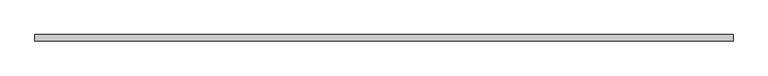
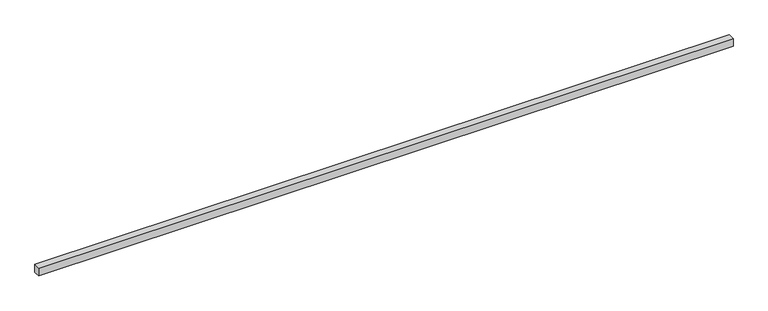
"""IFC4 building model written with IfcOpenShell, lengths in millimetres: proxy geometry."""

from ifc_helpers import new_model, si_unit, frame, origin, place, context, project, spatial, polyline, outline, extrude, source, transform, mapped, element, save


def generic_models_b366c081(model_context):
    return source(origin(), model_context, "Body", "SweptSolid", [
        extrude(outline(polyline([(40.0, 0.0), (-40.0, 0.0), (-40.0, 8483.6380136), (40.0, 8483.6380136), (40.0, 0.0)])), frame((8483.6380136, 0.0, 0.0), z_axis=(0.0, -1.9783474858313244e-12, 1.0), x_axis=(0.0, 1.0, 1.9783474858313244e-12)), (0.0, 0.0, 1.0), 100.0),
    ])


if __name__ == "__main__":
    model = new_model("IFC4")
    model_context = context("Model", 3, world=origin())
    ifc_project = project(units=[si_unit("LENGTHUNIT", "METRE", prefix="MILLI")], contexts=[model_context])
    site = spatial("IfcSite", under=ifc_project)
    building = spatial("IfcBuilding", under=site)
    placement = place(None, origin())
    generic_models_shape = generic_models_b366c081(model_context)
    element("IfcBuildingElementProxy", 1, Name="Generic Models", at=placement, inside=building, context=model_context, shape_type="MappedRepresentation", body=[
        mapped(generic_models_shape, transform((0.0, 0.0, 0.0), x_axis=(1.0, 0.0, 0.0), y_axis=(0.0, 1.0, 0.0), z_axis=(0.0, 0.0, 1.0))),
    ])
    save(model, "model.ifc")
